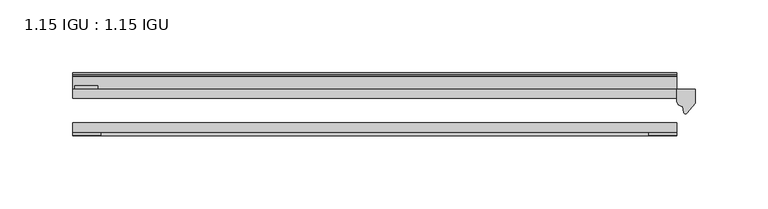
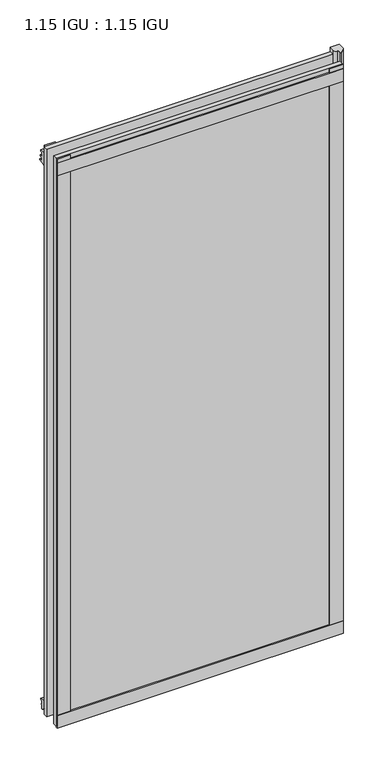
"""IFC4 building model written with IfcOpenShell, lengths in millimetres: plate geometry, 1.15 IGU : 1.15 IGU."""

from ifc_helpers import new_model, si_unit, point, frame, frame_2d, origin, place, context, project, spatial, polyline, circle_curve, trimmed, segment, composite_curve, outline, extrude, source, transform, mapped, element, save


def plate_1_15_igu_1_15_igu_ad2a57af(model_context):
    return source(origin(), model_context, "Body", "SweptSolid", [
        extrude(outline(polyline([(206.8571651, 0.0), (206.8571651, -6.2992), (-206.8571651, -6.2992), (-206.8571651, 0.0), (206.8571651, 0.0)])), frame((0.0, 0.0, -17.4498), z_axis=(0.0, 0.0, 1.0), x_axis=(1.0, 0.0, 0.0)), (0.0, 0.0, 1.0), 868.3366072),
        extrude(outline(polyline([(-206.8571651, -23.1648), (206.8571651, -23.1648), (206.8571651, -29.464), (-206.8571651, -29.464), (-206.8571651, -23.1648)])), frame((0.0, 0.0, -17.4498), z_axis=(0.0, 0.0, 1.0), x_axis=(1.0, 0.0, 0.0)), (0.0, 0.0, 1.0), 868.3366072),
        extrude(outline(composite_curve([segment(polyline([(219.5571651, 0.0), (219.5571651, -9.7395025), (213.9909343, -16.3730781)]), True, "CONTINUOUS"), segment(trimmed(circle_curve(frame_2d((213.0372593, -15.7728374)), 1.1268473), [point((213.9909343, -16.3730781))], [point((211.9363064, -16.0130197))], False, "CARTESIAN"), True, "CONTINUOUS"), segment(polyline([(211.9363064, -16.0130197), (210.9561149, -11.7377885)]), True, "CONTINUOUS"), segment(trimmed(circle_curve(frame_2d((210.8286631, -7.7683362)), 3.9714979), [point((210.9561149, -11.7377885))], [point((206.8573437, -7.8060014))], False, "CARTESIAN"), True, "CONTINUOUS"), segment(polyline([(206.8573437, -7.8060014), (206.8573437, 0.0), (219.5571651, 0.0)]), True, "CONTINUOUS")], self_intersect=False)), frame((0.0, 0.0, -17.4498), z_axis=(0.0, 0.0, 1.0), x_axis=(1.0, 0.0, 0.0)), (0.0, 0.0, 1.0), 875.4740072),
        extrude(outline(polyline([(-206.8571651, -31.75), (-206.8571651, -29.464), (206.8571651, -29.464), (206.8571651, -31.75), (-206.8571651, -31.75)])), frame((0.0, 0.0, -19.05), z_axis=(0.0, 0.0, 1.0), x_axis=(1.0, 0.0, 0.0)), (0.0, 0.0, 1.0), 19.05),
        extrude(outline(composite_curve([segment(trimmed(circle_curve(frame_2d((13.6593785, 32.4202472)), 31.3046461), [point((0.0, 4.2528503))], [point((9.3980339, 1.406995))], True, "CARTESIAN"), True, "CONTINUOUS"), segment(polyline([(9.3980339, 1.406995), (9.3980339, 0.0254), (6.35, 0.0254), (6.35, -5.1625788), (7.7309478, -5.3970663), (6.35, -8.0073788), (6.35, -11.8471127)]), True, "CONTINUOUS"), segment(trimmed(circle_curve(frame_2d((5.334, -11.8471127)), 1.016), [point((6.35, -11.8471127))], [point((4.6284878, -12.5782136))], False, "CARTESIAN"), True, "CONTINUOUS"), segment(trimmed(circle_curve(frame_2d((-23.3689302, -41.5910901)), 40.3187601), [point((4.6284878, -12.5782136))], [point((0.0, -8.735413))], True, "CARTESIAN"), True, "CONTINUOUS"), segment(polyline([(0.0, -8.735413), (0.0, 4.2528503)]), True, "CONTINUOUS")], self_intersect=False)), frame((-206.8571651, 0.0, 0.0), z_axis=(1.0, 0.0, 0.0), x_axis=(0.0, 1.0, 0.0)), (0.0, 0.0, 1.0), 413.7143303),
        extrude(outline(composite_curve([segment(polyline([(8.509, 840.7300284), (8.509, 838.6980284), (6.35, 838.6980284), (6.35, 833.3640284), (8.9492698, 833.3640284)]), True, "CONTINUOUS"), segment(trimmed(circle_curve(frame_2d((8.208689, 831.8368072)), 1.697311), [point((8.9492698, 833.3640284))], [point((8.962411, 830.3160284))], False, "CARTESIAN"), True, "CONTINUOUS"), segment(polyline([(8.962411, 830.3160284), (6.35, 830.3160284), (6.35, 825.4868072), (11.1252, 825.4868072), (11.1252, 824.5978072)]), True, "CONTINUOUS"), segment(trimmed(circle_curve(frame_2d((10.1092, 824.5978072)), 1.016), [point((11.1252, 824.5978072))], [point((10.1092, 823.5818072))], False, "CARTESIAN"), True, "CONTINUOUS"), segment(trimmed(circle_curve(frame_2d((10.1092, 804.1707318)), 19.4110754), [point((10.1092, 823.5818072))], [point((0.0, 820.7416075))], True, "CARTESIAN"), True, "CONTINUOUS"), segment(polyline([(0.0, 820.7416075), (0.0, 840.7300284), (8.509, 840.7300284)]), True, "CONTINUOUS")], self_intersect=False)), frame((-206.8571651, 0.0, 0.0), z_axis=(1.0, 0.0, 0.0), x_axis=(0.0, 1.0, 0.0)), (0.0, 0.0, 1.0), 413.7143303),
        extrude(outline(polyline([(-206.8571651, -31.75), (-206.8571651, -29.464), (206.8571651, -29.464), (206.8571651, -31.75), (-206.8571651, -31.75)])), frame((0.0, 0.0, 825.4868072), z_axis=(0.0, 0.0, 1.0), x_axis=(1.0, 0.0, 0.0)), (0.0, 0.0, 1.0), 19.05),
        extrude(outline(polyline([(187.8071651, -29.464), (206.8571651, -29.464), (206.8571651, -31.75), (187.8071651, -31.75), (187.8071651, -29.464)])), frame((0.0, 0.0, -17.4498), z_axis=(0.0, 0.0, 1.0), x_axis=(1.0, 0.0, 0.0)), (0.0, 0.0, 1.0), 868.3366072),
        extrude(outline(polyline([(-206.8571651, -31.75), (-206.8571651, -29.464), (-187.8071651, -29.464), (-187.8071651, -31.75), (-206.8571651, -31.75)])), frame((0.0, 0.0, -17.4498), z_axis=(0.0, 0.0, 1.0), x_axis=(1.0, 0.0, 0.0)), (0.0, 0.0, 1.0), 868.3366072),
        extrude(outline(polyline([(-205.6506651, 0.0), (-205.6506651, 2.286), (-189.7756651, 2.286), (-189.7756651, 0.0), (-205.6506651, 0.0)])), frame((0.0, 0.0, -17.4498), z_axis=(0.0, 0.0, 1.0), x_axis=(1.0, 0.0, 0.0)), (0.0, 0.0, 1.0), 868.3366072),
    ])


if __name__ == "__main__":
    model = new_model("IFC4")
    model_context = context("Model", 3, world=origin())
    ifc_project = project(units=[si_unit("LENGTHUNIT", "METRE", prefix="MILLI")], contexts=[model_context])
    site = spatial("IfcSite", under=ifc_project)
    building = spatial("IfcBuilding", under=site)
    placement = place(None, origin())
    plate_1_15_igu_1_15_igu_shape = plate_1_15_igu_1_15_igu_ad2a57af(model_context)
    element("IfcPlate", 1, ObjectType="1.15 IGU : 1.15 IGU", at=placement, inside=building, context=model_context, shape_type="MappedRepresentation", body=[
        mapped(plate_1_15_igu_1_15_igu_shape, transform((0.0, 0.0, 0.0), x_axis=(1.0, 0.0, 0.0), y_axis=(0.0, 1.0, 0.0), z_axis=(0.0, 0.0, 1.0))),
    ])
    save(model, "model.ifc")
